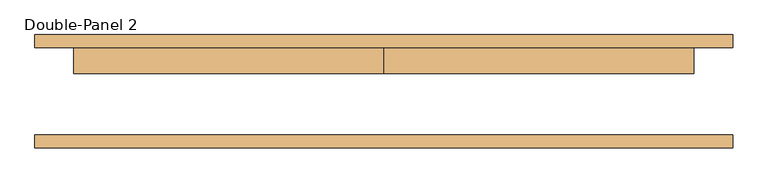
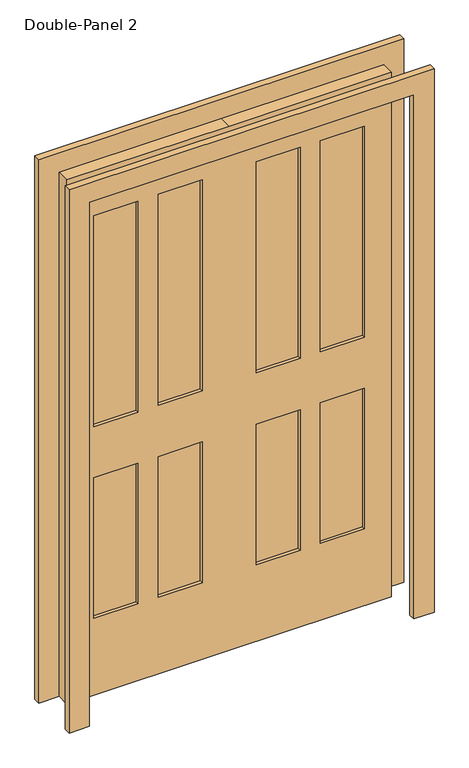
"""IFC4 building model written with IfcOpenShell, lengths in millimetres: door geometry, Double-Panel 2."""

from ifc_helpers import new_model, si_unit, frame, origin, place, context, project, spatial, polyline, outline, extrude, source, transform, mapped, element, save


def double_panel_2_4fd3e187(model_context):
    return source(origin(), model_context, "Body", "SweptSolid", [
        extrude(outline(polyline([(2159.0, -685.8), (0.0, -685.8), (0.0, -609.6), (2082.8, -609.6), (2082.8, 609.6), (0.0, 609.6), (0.0, 685.8), (2159.0, 685.8), (2159.0, -685.8)])), frame((0.0, 85.725, 0.0), z_axis=(0.0, 1.0, 0.0), x_axis=(0.0, 0.0, 1.0)), (0.0, 0.0, 1.0), 25.4),
        extrude(outline(polyline([(342.9, 73.025), (508.0, 73.025), (508.0, 47.625), (342.9, 47.625), (342.9, 73.025)])), frame((0.0, 0.0, 1066.8), z_axis=(0.0, 0.0, 1.0), x_axis=(1.0, 0.0, 0.0)), (0.0, 0.0, 1.0), 838.2),
        extrude(outline(polyline([(101.6, 73.025), (266.7, 73.025), (266.7, 47.625), (101.6, 47.625), (101.6, 73.025)])), frame((0.0, 0.0, 1066.8), z_axis=(0.0, 0.0, 1.0), x_axis=(1.0, 0.0, 0.0)), (0.0, 0.0, 1.0), 838.2),
        extrude(outline(polyline([(342.9, 73.025), (508.0, 73.025), (508.0, 47.625), (342.9, 47.625), (342.9, 73.025)])), frame((0.0, 0.0, 304.8), z_axis=(0.0, 0.0, 1.0), x_axis=(1.0, 0.0, 0.0)), (0.0, 0.0, 1.0), 558.8),
        extrude(outline(polyline([(101.6, 73.025), (266.7, 73.025), (266.7, 47.625), (101.6, 47.625), (101.6, 73.025)])), frame((0.0, 0.0, 304.8), z_axis=(0.0, 0.0, 1.0), x_axis=(1.0, 0.0, 0.0)), (0.0, 0.0, 1.0), 558.8),
        extrude(outline(polyline([(-266.7, 73.025), (-101.6, 73.025), (-101.6, 47.625), (-266.7, 47.625), (-266.7, 73.025)])), frame((0.0, 0.0, 1066.8), z_axis=(0.0, 0.0, 1.0), x_axis=(1.0, 0.0, 0.0)), (0.0, 0.0, 1.0), 838.2),
        extrude(outline(polyline([(-508.0, 73.025), (-342.9, 73.025), (-342.9, 47.625), (-508.0, 47.625), (-508.0, 73.025)])), frame((0.0, 0.0, 1066.8), z_axis=(0.0, 0.0, 1.0), x_axis=(1.0, 0.0, 0.0)), (0.0, 0.0, 1.0), 838.2),
        extrude(outline(polyline([(-266.7, 73.025), (-101.6, 73.025), (-101.6, 47.625), (-266.7, 47.625), (-266.7, 73.025)])), frame((0.0, 0.0, 304.8), z_axis=(0.0, 0.0, 1.0), x_axis=(1.0, 0.0, 0.0)), (0.0, 0.0, 1.0), 558.8),
        extrude(outline(polyline([(-508.0, 73.025), (-342.9, 73.025), (-342.9, 47.625), (-508.0, 47.625), (-508.0, 73.025)])), frame((0.0, 0.0, 304.8), z_axis=(0.0, 0.0, 1.0), x_axis=(1.0, 0.0, 0.0)), (0.0, 0.0, 1.0), 558.8),
        extrude(outline(polyline([(2082.8, 0.0), (2082.8, -609.6), (0.0, -609.6), (0.0, 0.0), (0.0, 609.6), (2082.8, 609.6), (2082.8, 0.0)]), holes=[polyline([(1905.0, 342.9), (1905.0, 508.0), (1066.8, 508.0), (1066.8, 342.9), (1905.0, 342.9)]), polyline([(1905.0, 101.6), (1905.0, 266.7), (1066.8, 266.7), (1066.8, 101.6), (1905.0, 101.6)]), polyline([(863.6, 342.9), (863.6, 508.0), (304.8, 508.0), (304.8, 342.9), (863.6, 342.9)]), polyline([(863.6, 101.6), (863.6, 266.7), (304.8, 266.7), (304.8, 101.6), (863.6, 101.6)]), polyline([(1066.8, -266.7), (1905.0, -266.7), (1905.0, -101.6), (1066.8, -101.6), (1066.8, -266.7)]), polyline([(1905.0, -508.0), (1905.0, -342.9), (1066.8, -342.9), (1066.8, -508.0), (1905.0, -508.0)]), polyline([(863.6, -266.7), (863.6, -101.6), (304.8, -101.6), (304.8, -266.7), (863.6, -266.7)]), polyline([(863.6, -508.0), (863.6, -342.9), (304.8, -342.9), (304.8, -508.0), (863.6, -508.0)])]), frame((0.0, 34.925, 0.0), z_axis=(0.0, 1.0, 0.0), x_axis=(0.0, 0.0, 1.0)), (0.0, 0.0, 1.0), 50.8),
        extrude(outline(polyline([(2082.8, -609.6), (2082.8, 609.6), (0.0, 609.6), (0.0, 685.8), (2159.0, 685.8), (2159.0, -685.8), (0.0, -685.8), (0.0, -609.6), (2082.8, -609.6)])), frame((0.0, -111.125, 0.0), z_axis=(0.0, 1.0, 0.0), x_axis=(0.0, 0.0, 1.0)), (0.0, 0.0, 1.0), 25.4),
    ])


if __name__ == "__main__":
    model = new_model("IFC4")
    model_context = context("Model", 3, world=origin())
    ifc_project = project(units=[si_unit("LENGTHUNIT", "METRE", prefix="MILLI")], contexts=[model_context])
    site = spatial("IfcSite", under=ifc_project)
    building = spatial("IfcBuilding", under=site)
    placement = place(None, origin())
    double_panel_2_shape = double_panel_2_4fd3e187(model_context)
    element("IfcDoor", 1, ObjectType="Double-Panel 2", at=placement, inside=building, context=model_context, shape_type="MappedRepresentation", body=[
        mapped(double_panel_2_shape, transform((0.0, 0.0, 0.0), x_axis=(1.0, 0.0, 0.0), y_axis=(0.0, 1.0, 0.0), z_axis=(0.0, 0.0, 1.0))),
    ])
    save(model, "model.ifc")
